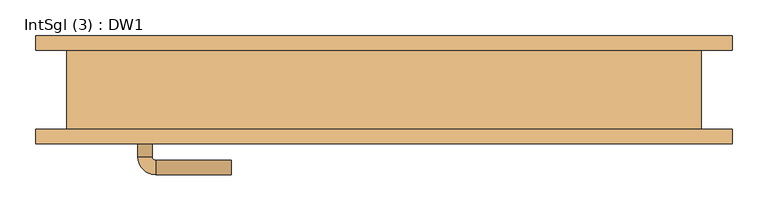
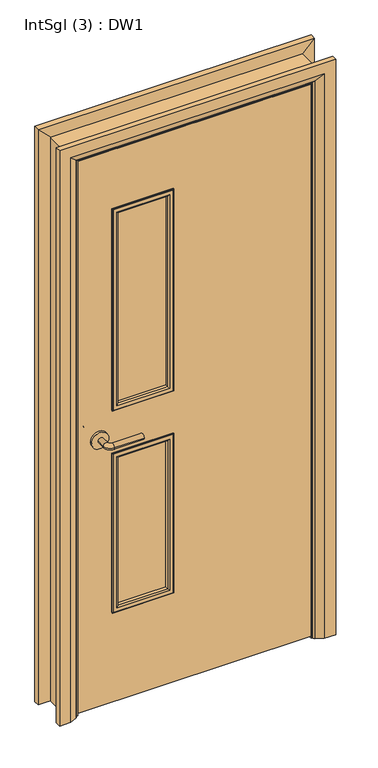
"""IFC4 building model written with IfcOpenShell, lengths in millimetres: door geometry, IntSgl (3) : DW1."""

from ifc_helpers import new_model, si_unit, point, frame, frame_2d, origin, place, context, project, spatial, polyline, circle_curve, ellipse_curve, trimmed, segment, composite_curve, outline, extrude, faceted_brep, source, transform, mapped, element, save
from ifc_brep_helpers import plane_surface, cylinder_surface, revolved_surface, advanced_brep


def intsgl_3_dw1_886d542a(model_context):
    return source(origin(), model_context, "Body", "SolidModel", [
        advanced_brep(
        [(-343.0, -9.0, 1000.0), (-323.0, -9.0, 1000.0), (-343.0, 21.0, 1000.0), (-323.0, 21.0, 1000.0), (-318.0, 26.0, 1000.0), (-318.0, 46.0, 1000.0), (-213.0, 46.0, 1000.0), (-213.0, 26.0, 1000.0)],
        [
            (0, 1, circle_curve(frame((-333.0, -9.0, 1000.0), z_axis=(0.0, -1.0, 0.0), x_axis=(1.0, 0.0, 0.0)), 10.0)),
            (1, 0, circle_curve(frame((-333.0, -9.0, 1000.0), z_axis=(0.0, -1.0, 0.0), x_axis=(1.0, 0.0, 0.0)), 10.0)),
            (0, 2),
            (2, 3, circle_curve(frame((-333.0, 21.0, 1000.0), z_axis=(0.0, -1.0, 0.0), x_axis=(1.0, 0.0, 0.0)), 10.0)),
            (3, 1),
            (3, 2, circle_curve(frame((-333.0, 21.0, 1000.0), z_axis=(0.0, -1.0, 0.0), x_axis=(1.0, 0.0, 0.0)), 10.0)),
            (4, 3, circle_curve(frame((-318.0, 21.0, 1000.0), z_axis=(0.0, 0.0, 1.0), x_axis=(-1.0, 0.0, 0.0)), 5.0)),
            (2, 5, circle_curve(frame((-318.0, 21.0, 1000.0), z_axis=(0.0, 0.0, -1.0), x_axis=(-1.0, 0.0, 0.0)), 25.0)),
            (5, 4, circle_curve(frame((-318.0, 36.0, 1000.0), z_axis=(-1.0, 0.0, 0.0), x_axis=(0.0, -1.0, 0.0)), 10.0)),
            (4, 5, circle_curve(frame((-318.0, 36.0, 1000.0), z_axis=(-1.0, 0.0, 0.0), x_axis=(0.0, -1.0, 0.0)), 10.0)),
            (6, 7, circle_curve(frame((-213.0, 36.0, 1000.0), z_axis=(1.0, 0.0, 0.0), x_axis=(0.0, -1.0, 0.0)), 10.0)),
            (7, 6, circle_curve(frame((-213.0, 36.0, 1000.0), z_axis=(1.0, 0.0, 0.0), x_axis=(0.0, -1.0, 0.0)), 10.0)),
            (5, 6),
            (7, 4),
        ],
        [
            plane_surface(frame((-333.0, -9.0, 1000.0), z_axis=(0.0, -1.0, 0.0), x_axis=(0.0, 0.0, 1.0))),
            cylinder_surface(frame((-333.0, -9.0, 1000.0), z_axis=(0.0, -1.0, 0.0), x_axis=(1.0, 0.0, 0.0)), 10.0),
            revolved_surface(trimmed(ellipse_curve(frame((-333.0, 21.0, 1000.0), z_axis=(0.0, -1.0, 0.0), x_axis=(1.0, 0.0, 0.0)), 10.0, 10.0), [point((-343.0, 21.0, 1000.0))], [point((-323.0, 21.0, 1000.0))], True, "CARTESIAN"), (-318.0, 21.0, 1000.0), (0.0, 0.0, -1.0)),
            revolved_surface(trimmed(ellipse_curve(frame((-333.0, 21.0, 1000.0), z_axis=(0.0, -1.0, 0.0), x_axis=(1.0, 0.0, 0.0)), 10.0, 10.0), [point((-323.0, 21.0, 1000.0))], [point((-343.0, 21.0, 1000.0))], True, "CARTESIAN"), (-318.0, 21.0, 1000.0), (0.0, 0.0, -1.0)),
            plane_surface(frame((-213.0, 36.0, 1000.0), z_axis=(1.0, 0.0, 0.0), x_axis=(0.0, 0.0, 1.0))),
            cylinder_surface(frame((-318.0, 36.0, 1000.0), z_axis=(-1.0, 0.0, 0.0), x_axis=(0.0, -1.0, 0.0)), 10.0),
        ],
        [
            (0, [[1, 2]]),
            (1, [[-1, 3, 4, 5]]),
            (1, [[-2, -5, 6, -3]]),
            (2, [[7, -4, 8, 9]]),
            (3, [[-8, -6, -7, 10]]),
            (4, [[11, 12]]),
            (5, [[-9, 13, -12, 14]]),
            (5, [[-10, -14, -11, -13]]),
        ],
    ),
        extrude(outline(composite_curve([segment(trimmed(circle_curve(frame_2d((1000.0, -335.5)), 30.0), [point((1000.0, -365.5))], [point((1000.0, -305.5))], False, "CARTESIAN"), True, "CONTINUOUS"), segment(trimmed(circle_curve(frame_2d((1000.0, -335.5)), 30.0), [point((1000.0, -305.5))], [point((1000.0, -365.5))], False, "CARTESIAN"), True, "CONTINUOUS")], self_intersect=False)), frame((0.0, -17.0, 0.0), z_axis=(0.0, 1.0, 0.0), x_axis=(0.0, 0.0, 1.0)), (0.0, 0.0, 1.0), 8.0),
        advanced_brep(
        [(-343.0, -63.0, 1000.0), (-323.0, -63.0, 1000.0), (-323.0, -93.0, 1000.0), (-343.0, -93.0, 1000.0), (-318.0, -98.0, 1000.0), (-318.0, -118.0, 1000.0), (-213.0, -118.0, 1000.0), (-213.0, -98.0, 1000.0)],
        [
            (0, 1, circle_curve(frame((-333.0, -63.0, 1000.0), z_axis=(0.0, 1.0, 0.0), x_axis=(1.0, 0.0, 0.0)), 10.0)),
            (1, 0, circle_curve(frame((-333.0, -63.0, 1000.0), z_axis=(0.0, 1.0, 0.0), x_axis=(1.0, 0.0, 0.0)), 10.0)),
            (1, 2),
            (2, 3, circle_curve(frame((-333.0, -93.0, 1000.0), z_axis=(0.0, 1.0, 0.0), x_axis=(1.0, 0.0, 0.0)), 10.0)),
            (3, 0),
            (3, 2, circle_curve(frame((-333.0, -93.0, 1000.0), z_axis=(0.0, 1.0, 0.0), x_axis=(1.0, 0.0, 0.0)), 10.0)),
            (4, 5, circle_curve(frame((-318.0, -108.0, 1000.0), z_axis=(-1.0, 0.0, 0.0), x_axis=(0.0, 1.0, 0.0)), 10.0)),
            (5, 3, circle_curve(frame((-318.0, -93.0, 1000.0), z_axis=(0.0, 0.0, -1.0), x_axis=(-1.0, 0.0, 0.0)), 25.0)),
            (2, 4, circle_curve(frame((-318.0, -93.0, 1000.0), z_axis=(0.0, 0.0, 1.0), x_axis=(-1.0, 0.0, 0.0)), 5.0)),
            (5, 4, circle_curve(frame((-318.0, -108.0, 1000.0), z_axis=(-1.0, 0.0, 0.0), x_axis=(0.0, 1.0, 0.0)), 10.0)),
            (6, 7, circle_curve(frame((-213.0, -108.0, 1000.0), z_axis=(1.0, 0.0, 0.0), x_axis=(0.0, 1.0, 0.0)), 10.0)),
            (7, 6, circle_curve(frame((-213.0, -108.0, 1000.0), z_axis=(1.0, 0.0, 0.0), x_axis=(0.0, 1.0, 0.0)), 10.0)),
            (4, 7),
            (6, 5),
        ],
        [
            plane_surface(frame((-333.0, -63.0, 1000.0), z_axis=(0.0, 1.0, 0.0), x_axis=(0.0, 0.0, 1.0))),
            cylinder_surface(frame((-333.0, -63.0, 1000.0), z_axis=(0.0, 1.0, 0.0), x_axis=(1.0, 0.0, 0.0)), 10.0),
            revolved_surface(trimmed(ellipse_curve(frame((-333.0, -93.0, 1000.0), z_axis=(0.0, -1.0, 0.0), x_axis=(1.0, 0.0, 0.0)), 10.0, 10.0), [point((-343.0, -93.0, 1000.0))], [point((-323.0, -93.0, 1000.0))], True, "CARTESIAN"), (-318.0, -93.0, 1000.0), (0.0, 0.0, -1.0)),
            revolved_surface(trimmed(ellipse_curve(frame((-333.0, -93.0, 1000.0), z_axis=(0.0, -1.0, 0.0), x_axis=(1.0, 0.0, 0.0)), 10.0, 10.0), [point((-323.0, -93.0, 1000.0))], [point((-343.0, -93.0, 1000.0))], True, "CARTESIAN"), (-318.0, -93.0, 1000.0), (0.0, 0.0, -1.0)),
            plane_surface(frame((-213.0, -108.0, 1000.0), z_axis=(1.0, 0.0, 0.0), x_axis=(0.0, 0.0, 1.0))),
            cylinder_surface(frame((-318.0, -108.0, 1000.0), z_axis=(-1.0, 0.0, 0.0), x_axis=(0.0, 1.0, 0.0)), 10.0),
        ],
        [
            (0, [[1, 2]]),
            (1, [[3, 4, 5, -2]]),
            (1, [[-5, 6, -3, -1]]),
            (2, [[7, 8, -4, 9]]),
            (3, [[10, -9, -6, -8]]),
            (4, [[11, 12]]),
            (5, [[13, -11, 14, -7]]),
            (5, [[-14, -12, -13, -10]]),
        ],
    ),
        extrude(outline(composite_curve([segment(trimmed(circle_curve(frame_2d((1000.0, -335.5)), 30.0), [point((1000.0, -365.5))], [point((1000.0, -305.5))], False, "CARTESIAN"), True, "CONTINUOUS"), segment(trimmed(circle_curve(frame_2d((1000.0, -335.5)), 30.0), [point((1000.0, -305.5))], [point((1000.0, -365.5))], False, "CARTESIAN"), True, "CONTINUOUS")], self_intersect=False)), frame((0.0, -63.0, 0.0), z_axis=(0.0, 1.0, 0.0), x_axis=(0.0, 0.0, 1.0)), (0.0, 0.0, 1.0), 8.0),
        extrude(outline(polyline([(2058.0, -408.0), (8.0, -408.0), (8.0, 408.0), (2058.0, 408.0), (2058.0, -408.0)]), holes=[polyline([(1833.0, -83.0), (1100.0, -83.0), (1100.0, -283.0), (1833.0, -283.0), (1833.0, -83.0)]), polyline([(925.0, -283.0), (925.0, -83.0), (350.0, -83.0), (350.0, -283.0), (925.0, -283.0)])]), frame((0.0, -55.0, 0.0), z_axis=(0.0, 1.0, 0.0), x_axis=(0.0, 0.0, 1.0)), (0.0, 0.0, 1.0), 38.0),
        advanced_brep(
        [(485.0, -75.0, 0.0), (445.0, -75.0, 0.0), (419.0, -61.0, 0.0), (415.0, -55.0, 0.0), (485.0, -55.0, 0.0), (485.0, -55.0, 2135.0), (485.0, -75.0, 2135.0), (415.0, -55.0, 2065.0), (-415.0, -55.0, 2065.0), (-415.0, -55.0, 0.0), (-485.0, -55.0, 0.0), (-485.0, -55.0, 2135.0), (419.0, -61.0, 2069.0), (445.0, -75.0, 2095.0), (-485.0, -75.0, 2135.0), (-485.0, -75.0, 0.0), (-445.0, -75.0, 0.0), (-445.0, -75.0, 2095.0), (-419.0, -61.0, 2069.0), (-419.0, -61.0, 0.0)],
        [
            (0, 1),
            (1, 2),
            (2, 3, circle_curve(frame((423.0, -54.0, 0.0), z_axis=(0.0, 0.0, -1.0), x_axis=(1.0, 0.0, 0.0)), 8.0622577)),
            (3, 4),
            (4, 0),
            (4, 5),
            (5, 6),
            (6, 0),
            (3, 7),
            (7, 8),
            (8, 9),
            (9, 10),
            (10, 11),
            (11, 5),
            (2, 12),
            (12, 7, ellipse_curve(frame((423.0, -54.0, 2073.0), z_axis=(0.7071067811865475, 0.0, -0.7071067811865475), x_axis=(-0.7071067811865474, 0.0, -0.7071067811865476)), 11.4017543, 8.0622577)),
            (1, 13),
            (13, 12),
            (6, 14),
            (14, 15),
            (15, 16),
            (16, 17),
            (17, 13),
            (11, 14),
            (12, 18),
            (18, 8, ellipse_curve(frame((-423.0, -54.0, 2073.0), z_axis=(0.7071067811865475, 0.0, 0.7071067811865475), x_axis=(0.7071067811865476, 0.0, -0.7071067811865474)), 11.4017543, 8.0622577)),
            (17, 18),
            (15, 10),
            (9, 19, circle_curve(frame((-423.0, -54.0, 0.0), z_axis=(0.0, 0.0, -1.0), x_axis=(-1.0, 0.0, 0.0)), 8.0622577)),
            (19, 16),
            (18, 19),
        ],
        [
            plane_surface(frame((415.0, -55.0, 0.0), z_axis=(0.0, 0.0, -1.0), x_axis=(0.0, 1.0, 0.0))),
            plane_surface(frame((485.0, -75.0, 0.0), z_axis=(1.0, 0.0, 0.0), x_axis=(0.0, 0.0, 1.0))),
            plane_surface(frame((485.0, -55.0, 0.0), z_axis=(0.0, 1.0, 0.0), x_axis=(0.0, 0.0, 1.0))),
            cylinder_surface(frame((423.0, -54.0, 0.0), z_axis=(0.0, 0.0, -1.0), x_axis=(1.0, 0.0, 0.0)), 8.0622577),
            plane_surface(frame((419.0, -61.0, 0.0), z_axis=(-0.4740998230350126, -0.8804710999221779, 0.0), x_axis=(0.0, 0.0, 1.0))),
            plane_surface(frame((445.0, -75.0, 0.0), z_axis=(0.0, -1.0, 0.0), x_axis=(0.0, 0.0, 1.0))),
            plane_surface(frame((485.0, -75.0, 2135.0), z_axis=(0.0, 0.0, 1.0), x_axis=(-1.0, 0.0, 0.0))),
            cylinder_surface(frame((415.0, -54.0, 2073.0), z_axis=(1.0, 0.0, 0.0), x_axis=(0.0, 0.0, 1.0)), 8.0622577),
            plane_surface(frame((419.0, -61.0, 2069.0), z_axis=(0.0, -0.8804710999221763, -0.4740998230350154), x_axis=(-1.0, 0.0, 0.0))),
            plane_surface(frame((-415.0, -55.0, 0.0), z_axis=(0.0, 0.0, -1.0), x_axis=(0.0, 1.0, 0.0))),
            plane_surface(frame((-485.0, -75.0, 2135.0), z_axis=(-1.0, 0.0, 0.0), x_axis=(0.0, 0.0, -1.0))),
            cylinder_surface(frame((-423.0, -54.0, 2065.0), z_axis=(0.0, 0.0, 1.0), x_axis=(-1.0, 0.0, 0.0)), 8.0622577),
            plane_surface(frame((-419.0, -61.0, 2069.0), z_axis=(0.4740998230350183, -0.8804710999221749, 0.0), x_axis=(0.0, 0.0, -1.0))),
        ],
        [
            (0, [[1, 2, 3, 4, 5]]),
            (1, [[6, 7, 8, -5]]),
            (2, [[9, 10, 11, 12, 13, 14, -6, -4]]),
            (3, [[15, 16, -9, -3]]),
            (4, [[17, 18, -15, -2]]),
            (5, [[-8, 19, 20, 21, 22, 23, -17, -1]]),
            (6, [[-14, 24, -19, -7]]),
            (7, [[25, 26, -10, -16]]),
            (8, [[-23, 27, -25, -18]]),
            (9, [[28, -12, 29, 30, -21]]),
            (10, [[-13, -28, -20, -24]]),
            (11, [[31, -29, -11, -26]]),
            (12, [[-22, -30, -31, -27]]),
        ],
    ),
        extrude(outline(polyline([(0.0, -391.0), (2041.0, -391.0), (2041.0, 391.0), (0.0, 391.0), (0.0, 410.0), (2060.0, 410.0), (2060.0, -410.0), (0.0, -410.0), (0.0, -391.0)])), frame((0.0, -15.0, 0.0), z_axis=(0.0, 1.0, 0.0), x_axis=(0.0, 0.0, 1.0)), (0.0, 0.0, 1.0), 32.0),
        advanced_brep(
        [(-485.0, 75.0, 0.0), (-445.0, 75.0, 0.0), (-419.0, 61.0, 0.0), (-415.0, 55.0, 0.0), (-485.0, 55.0, 0.0), (-485.0, 55.0, 2135.0), (-485.0, 75.0, 2135.0), (-415.0, 55.0, 2065.0), (-419.0, 61.0, 2069.0), (-445.0, 75.0, 2095.0), (485.0, 55.0, 2135.0), (485.0, 75.0, 2135.0), (415.0, 55.0, 2065.0), (419.0, 61.0, 2069.0), (445.0, 75.0, 2095.0), (485.0, 75.0, 0.0), (485.0, 55.0, 0.0), (415.0, 55.0, 0.0), (419.0, 61.0, 0.0), (445.0, 75.0, 0.0)],
        [
            (0, 1),
            (1, 2),
            (2, 3, circle_curve(frame((-423.0, 54.0, 0.0), z_axis=(0.0, 0.0, -1.0), x_axis=(-1.0, 0.0, 0.0)), 8.0622577)),
            (3, 4),
            (4, 0),
            (4, 5),
            (5, 6),
            (6, 0),
            (3, 7),
            (7, 5),
            (2, 8),
            (8, 7, ellipse_curve(frame((-423.0, 54.0, 2073.0), z_axis=(-0.7071067811865475, 0.0, -0.7071067811865475), x_axis=(0.7071067811865474, 0.0, -0.7071067811865476)), 11.4017543, 8.0622577)),
            (1, 9),
            (9, 8),
            (6, 9),
            (5, 10),
            (10, 11),
            (11, 6),
            (7, 12),
            (12, 10),
            (8, 13),
            (13, 12, ellipse_curve(frame((423.0, 54.0, 2073.0), z_axis=(-0.7071067811865475, 0.0, 0.7071067811865475), x_axis=(-0.7071067811865476, 0.0, -0.7071067811865474)), 11.4017543, 8.0622577)),
            (9, 14),
            (14, 13),
            (11, 14),
            (15, 16),
            (16, 17),
            (17, 18, circle_curve(frame((423.0, 54.0, 0.0), z_axis=(0.0, 0.0, -1.0), x_axis=(1.0, 0.0, 0.0)), 8.0622577)),
            (18, 19),
            (19, 15),
            (10, 16),
            (15, 11),
            (12, 17),
            (13, 18),
            (14, 19),
        ],
        [
            plane_surface(frame((-415.0, 127.8010989, 0.0), z_axis=(0.0, 0.0, -1.0), x_axis=(1.0, 0.0, 0.0))),
            plane_surface(frame((-485.0, 75.0, 0.0), z_axis=(-1.0, 0.0, 0.0), x_axis=(0.0, 0.0, 1.0))),
            plane_surface(frame((-485.0, 55.0, 0.0), z_axis=(0.0, -1.0, 0.0), x_axis=(0.0, 0.0, 1.0))),
            cylinder_surface(frame((-423.0, 54.0, 0.0), z_axis=(0.0, 0.0, -1.0), x_axis=(-1.0, 0.0, 0.0)), 8.0622577),
            plane_surface(frame((-419.0, 61.0, 0.0), z_axis=(0.4740998230350183, 0.8804710999221749, 0.0), x_axis=(0.0, 0.0, 1.0))),
            plane_surface(frame((-445.0, 75.0, 0.0), z_axis=(0.0, 1.0, 0.0), x_axis=(0.0, 0.0, 1.0))),
            plane_surface(frame((-485.0, 75.0, 2135.0), z_axis=(0.0, 0.0, 1.0), x_axis=(1.0, 0.0, 0.0))),
            plane_surface(frame((-485.0, 55.0, 2135.0), z_axis=(0.0, -1.0, 0.0), x_axis=(1.0, 0.0, 0.0))),
            cylinder_surface(frame((-415.0, 54.0, 2073.0), z_axis=(-1.0, 0.0, 0.0), x_axis=(0.0, 0.0, 1.0)), 8.0622577),
            plane_surface(frame((-419.0, 61.0, 2069.0), z_axis=(0.0, 0.8804710999221749, -0.4740998230350183), x_axis=(1.0, 0.0, 0.0))),
            plane_surface(frame((-445.0, 75.0, 2095.0), z_axis=(0.0, 1.0, 0.0), x_axis=(1.0, 0.0, 0.0))),
            plane_surface(frame((415.0, 127.8010989, 0.0), z_axis=(0.0, 0.0, -1.0), x_axis=(-1.0, 0.0, 0.0))),
            plane_surface(frame((485.0, 75.0, 2135.0), z_axis=(1.0, 0.0, 0.0), x_axis=(0.0, 0.0, -1.0))),
            plane_surface(frame((485.0, 55.0, 2135.0), z_axis=(0.0, -1.0, 0.0), x_axis=(0.0, 0.0, -1.0))),
            cylinder_surface(frame((423.0, 54.0, 2065.0), z_axis=(0.0, 0.0, 1.0), x_axis=(1.0, 0.0, 0.0)), 8.0622577),
            plane_surface(frame((419.0, 61.0, 2069.0), z_axis=(-0.4740998230350183, 0.8804710999221749, 0.0), x_axis=(0.0, 0.0, -1.0))),
            plane_surface(frame((445.0, 75.0, 2095.0), z_axis=(0.0, 1.0, 0.0), x_axis=(0.0, 0.0, -1.0))),
        ],
        [
            (0, [[1, 2, 3, 4, 5]]),
            (1, [[6, 7, 8, -5]]),
            (2, [[9, 10, -6, -4]]),
            (3, [[11, 12, -9, -3]]),
            (4, [[13, 14, -11, -2]]),
            (5, [[-8, 15, -13, -1]]),
            (6, [[16, 17, 18, -7]]),
            (7, [[19, 20, -16, -10]]),
            (8, [[21, 22, -19, -12]]),
            (9, [[23, 24, -21, -14]]),
            (10, [[-18, 25, -23, -15]]),
            (11, [[26, 27, 28, 29, 30]]),
            (12, [[31, -26, 32, -17]]),
            (13, [[33, -27, -31, -20]]),
            (14, [[34, -28, -33, -22]]),
            (15, [[35, -29, -34, -24]]),
            (16, [[-32, -30, -35, -25]]),
        ],
    ),
        faceted_brep([(-410.0, -55.0, 0.0), (-442.0, -55.0, 0.0), (-442.0, 55.0, 0.0), (-410.0, 55.0, 0.0), (-410.0, 55.0, 2060.0), (-410.0, -55.0, 2060.0), (-442.0, 55.0, 2092.0), (-442.0, -55.0, 2092.0), (410.0, 55.0, 2060.0), (410.0, -55.0, 2060.0), (442.0, 55.0, 2092.0), (442.0, -55.0, 2092.0), (410.0, -55.0, 0.0), (410.0, 55.0, 0.0), (442.0, 55.0, 0.0), (442.0, -55.0, 0.0)], [[[0, 1, 2, 3]], [[3, 4, 5, 0]], [[2, 6, 4, 3]], [[1, 7, 6, 2]], [[0, 5, 7, 1]], [[4, 8, 9, 5]], [[6, 10, 8, 4]], [[7, 11, 10, 6]], [[5, 9, 11, 7]], [[12, 13, 14, 15]], [[8, 13, 12, 9]], [[10, 14, 13, 8]], [[11, 15, 14, 10]], [[9, 12, 15, 11]]]),
        advanced_brep(
        [(-83.0, -27.0, 925.0), (-83.0, -27.0, 350.0), (-83.0, -17.0, 350.0), (-83.0, -17.0, 925.0), (-95.0, -16.0, 913.0), (-95.0, -16.0, 362.0), (-95.0, -27.0, 362.0), (-95.0, -27.0, 913.0), (-90.0, -11.0, 918.0), (-90.0, -11.0, 357.0), (-75.0, -13.0, 933.0), (-75.0, -13.0, 342.0), (-77.0, -11.0, 344.0), (-77.0, -11.0, 931.0), (-75.0, -17.0, 933.0), (-75.0, -17.0, 342.0), (-283.0, -27.0, 350.0), (-283.0, -17.0, 350.0), (-271.0, -16.0, 362.0), (-271.0, -27.0, 362.0), (-276.0, -11.0, 357.0), (-291.0, -13.0, 342.0), (-289.0, -11.0, 344.0), (-291.0, -17.0, 342.0), (-283.0, -27.0, 925.0), (-283.0, -17.0, 925.0), (-271.0, -16.0, 913.0), (-271.0, -27.0, 913.0), (-276.0, -11.0, 918.0), (-291.0, -13.0, 933.0), (-289.0, -11.0, 931.0), (-291.0, -17.0, 933.0)],
        [
            (0, 1),
            (1, 2),
            (2, 3),
            (3, 0),
            (4, 5),
            (5, 6),
            (6, 7),
            (7, 4),
            (8, 9),
            (9, 5, ellipse_curve(frame((-90.0, -16.0, 357.0), z_axis=(0.7071067811865475, 0.0, 0.7071067811865475), x_axis=(-0.7071067811865474, 0.0, 0.7071067811865476)), 7.0710678, 5.0)),
            (4, 8, ellipse_curve(frame((-90.0, -16.0, 918.0), z_axis=(0.7071067811865475, 0.0, -0.7071067811865475), x_axis=(0.7071067811865474, 0.0, 0.7071067811865476)), 7.0710678, 5.0)),
            (10, 11),
            (11, 12, ellipse_curve(frame((-77.0, -13.0, 344.0), z_axis=(0.7071067811865475, 0.0, 0.7071067811865475), x_axis=(-0.7071067811865474, 0.0, 0.7071067811865476)), 2.8284271, 2.0)),
            (12, 13),
            (13, 10, ellipse_curve(frame((-77.0, -13.0, 931.0), z_axis=(0.7071067811865475, 0.0, -0.7071067811865475), x_axis=(0.7071067811865474, 0.0, 0.7071067811865476)), 2.8284271, 2.0)),
            (14, 15),
            (15, 11),
            (10, 14),
            (1, 16),
            (16, 17),
            (17, 2),
            (5, 18),
            (18, 19),
            (19, 6),
            (9, 20),
            (20, 18, ellipse_curve(frame((-276.0, -16.0, 357.0), z_axis=(0.7071067811865475, 0.0, -0.7071067811865475), x_axis=(0.7071067811865476, 0.0, 0.7071067811865474)), 7.0710678, 5.0)),
            (11, 21),
            (21, 22, ellipse_curve(frame((-289.0, -13.0, 344.0), z_axis=(0.7071067811865475, 0.0, -0.7071067811865475), x_axis=(0.7071067811865476, 0.0, 0.7071067811865474)), 2.8284271, 2.0)),
            (22, 12),
            (15, 23),
            (23, 21),
            (16, 24),
            (24, 25),
            (25, 17),
            (18, 26),
            (26, 27),
            (27, 19),
            (20, 28),
            (28, 26, ellipse_curve(frame((-276.0, -16.0, 918.0), z_axis=(-0.7071067811865475, 0.0, -0.7071067811865475), x_axis=(0.7071067811865474, 0.0, -0.7071067811865476)), 7.0710678, 5.0)),
            (21, 29),
            (29, 30, ellipse_curve(frame((-289.0, -13.0, 931.0), z_axis=(-0.7071067811865475, 0.0, -0.7071067811865475), x_axis=(0.7071067811865474, 0.0, -0.7071067811865476)), 2.8284271, 2.0)),
            (30, 22),
            (23, 31),
            (31, 29),
            (14, 31),
            (25, 3),
            (24, 0),
            (27, 7),
            (26, 4),
            (28, 8),
            (30, 13),
            (29, 10),
        ],
        [
            plane_surface(frame((-83.0, -17.0, 925.0), z_axis=(1.0, 0.0, 0.0), x_axis=(0.0, 0.0, -1.0))),
            plane_surface(frame((-95.0, -27.0, 913.0), z_axis=(-1.0, 0.0, 0.0), x_axis=(0.0, 0.0, -1.0))),
            cylinder_surface(frame((-90.0, -16.0, 925.0), z_axis=(0.0, 0.0, 1.0), x_axis=(1.0, 0.0, 0.0)), 5.0),
            cylinder_surface(frame((-77.0, -13.0, 925.0), z_axis=(0.0, 0.0, 1.0), x_axis=(1.0, 0.0, 0.0)), 2.0),
            plane_surface(frame((-75.0, -13.0, 933.0), z_axis=(1.0, 0.0, 0.0), x_axis=(0.0, 0.0, -1.0))),
            plane_surface(frame((-83.0, -17.0, 350.0), z_axis=(0.0, 0.0, -1.0), x_axis=(-1.0, 0.0, 0.0))),
            plane_surface(frame((-95.0, -27.0, 362.0), z_axis=(0.0, 0.0, 1.0), x_axis=(-1.0, 0.0, 0.0))),
            cylinder_surface(frame((-83.0, -16.0, 357.0), z_axis=(1.0, 0.0, 0.0), x_axis=(0.0, 0.0, -1.0)), 5.0),
            cylinder_surface(frame((-83.0, -13.0, 344.0), z_axis=(1.0, 0.0, 0.0), x_axis=(0.0, 0.0, -1.0)), 2.0),
            plane_surface(frame((-75.0, -13.0, 342.0), z_axis=(0.0, 0.0, -1.0), x_axis=(-1.0, 0.0, 0.0))),
            plane_surface(frame((-283.0, -17.0, 350.0), z_axis=(-1.0, 0.0, 0.0), x_axis=(0.0, 0.0, 1.0))),
            plane_surface(frame((-271.0, -27.0, 362.0), z_axis=(1.0, 0.0, 0.0), x_axis=(0.0, 0.0, 1.0))),
            cylinder_surface(frame((-276.0, -16.0, 350.0), z_axis=(0.0, 0.0, -1.0), x_axis=(-1.0, 0.0, 0.0)), 5.0),
            cylinder_surface(frame((-289.0, -13.0, 350.0), z_axis=(0.0, 0.0, -1.0), x_axis=(-1.0, 0.0, 0.0)), 2.0),
            plane_surface(frame((-291.0, -13.0, 342.0), z_axis=(-1.0, 0.0, 0.0), x_axis=(0.0, 0.0, 1.0))),
            plane_surface(frame((-291.0, -17.0, 933.0), z_axis=(0.0, -1.0, 0.0), x_axis=(1.0, 0.0, 0.0))),
            plane_surface(frame((-283.0, -17.0, 925.0), z_axis=(0.0, 0.0, 1.0), x_axis=(1.0, 0.0, 0.0))),
            plane_surface(frame((-283.0, -27.0, 925.0), z_axis=(0.0, -1.0, 0.0), x_axis=(1.0, 0.0, 0.0))),
            plane_surface(frame((-271.0, -27.0, 913.0), z_axis=(0.0, 0.0, -1.0), x_axis=(1.0, 0.0, 0.0))),
            cylinder_surface(frame((-283.0, -16.0, 918.0), z_axis=(-1.0, 0.0, 0.0), x_axis=(0.0, 0.0, 1.0)), 5.0),
            plane_surface(frame((-276.0, -11.0, 918.0), z_axis=(0.0, 1.0, 0.0), x_axis=(1.0, 0.0, 0.0))),
            cylinder_surface(frame((-283.0, -13.0, 931.0), z_axis=(-1.0, 0.0, 0.0), x_axis=(0.0, 0.0, 1.0)), 2.0),
            plane_surface(frame((-291.0, -13.0, 933.0), z_axis=(0.0, 0.0, 1.0), x_axis=(1.0, 0.0, 0.0))),
        ],
        [
            (0, [[1, 2, 3, 4]]),
            (1, [[5, 6, 7, 8]]),
            (2, [[9, 10, -5, 11]]),
            (3, [[12, 13, 14, 15]]),
            (4, [[16, 17, -12, 18]]),
            (5, [[19, 20, 21, -2]]),
            (6, [[22, 23, 24, -6]]),
            (7, [[25, 26, -22, -10]]),
            (8, [[27, 28, 29, -13]]),
            (9, [[30, 31, -27, -17]]),
            (10, [[32, 33, 34, -20]]),
            (11, [[35, 36, 37, -23]]),
            (12, [[38, 39, -35, -26]]),
            (13, [[40, 41, 42, -28]]),
            (14, [[43, 44, -40, -31]]),
            (15, [[-16, 45, -43, -30], [-3, -21, -34, 46]]),
            (16, [[47, -4, -46, -33]]),
            (17, [[-1, -47, -32, -19], [-7, -24, -37, 48]]),
            (18, [[49, -8, -48, -36]]),
            (19, [[50, -11, -49, -39]]),
            (20, [[-14, -29, -42, 51], [-9, -50, -38, -25]]),
            (21, [[52, -15, -51, -41]]),
            (22, [[-45, -18, -52, -44]]),
        ],
    ),
        advanced_brep(
        [(-283.0, -45.0, 925.0), (-283.0, -45.0, 350.0), (-283.0, -55.0, 350.0), (-283.0, -55.0, 925.0), (-271.0, -56.0, 913.0), (-271.0, -56.0, 362.0), (-271.0, -45.0, 362.0), (-271.0, -45.0, 913.0), (-276.0, -61.0, 918.0), (-276.0, -61.0, 357.0), (-291.0, -59.0, 933.0), (-291.0, -59.0, 342.0), (-289.0, -61.0, 344.0), (-289.0, -61.0, 931.0), (-291.0, -55.0, 933.0), (-291.0, -55.0, 342.0), (-83.0, -45.0, 350.0), (-83.0, -55.0, 350.0), (-95.0, -56.0, 362.0), (-95.0, -45.0, 362.0), (-90.0, -61.0, 357.0), (-75.0, -59.0, 342.0), (-77.0, -61.0, 344.0), (-75.0, -55.0, 342.0), (-83.0, -45.0, 925.0), (-83.0, -55.0, 925.0), (-95.0, -56.0, 913.0), (-95.0, -45.0, 913.0), (-90.0, -61.0, 918.0), (-75.0, -59.0, 933.0), (-77.0, -61.0, 931.0), (-75.0, -55.0, 933.0)],
        [
            (0, 1),
            (1, 2),
            (2, 3),
            (3, 0),
            (4, 5),
            (5, 6),
            (6, 7),
            (7, 4),
            (8, 9),
            (9, 5, ellipse_curve(frame((-276.0, -56.0, 357.0), z_axis=(-0.7071067811865475, 0.0, 0.7071067811865475), x_axis=(0.7071067811865474, 0.0, 0.7071067811865476)), 7.0710678, 5.0)),
            (4, 8, ellipse_curve(frame((-276.0, -56.0, 918.0), z_axis=(-0.7071067811865475, 0.0, -0.7071067811865475), x_axis=(-0.7071067811865474, 0.0, 0.7071067811865476)), 7.0710678, 5.0)),
            (10, 11),
            (11, 12, ellipse_curve(frame((-289.0, -59.0, 344.0), z_axis=(-0.7071067811865475, 0.0, 0.7071067811865475), x_axis=(0.7071067811865474, 0.0, 0.7071067811865476)), 2.8284271, 2.0)),
            (12, 13),
            (13, 10, ellipse_curve(frame((-289.0, -59.0, 931.0), z_axis=(-0.7071067811865475, 0.0, -0.7071067811865475), x_axis=(-0.7071067811865474, 0.0, 0.7071067811865476)), 2.8284271, 2.0)),
            (14, 15),
            (15, 11),
            (10, 14),
            (1, 16),
            (16, 17),
            (17, 2),
            (5, 18),
            (18, 19),
            (19, 6),
            (9, 20),
            (20, 18, ellipse_curve(frame((-90.0, -56.0, 357.0), z_axis=(-0.7071067811865475, 0.0, -0.7071067811865475), x_axis=(-0.7071067811865476, 0.0, 0.7071067811865474)), 7.0710678, 5.0)),
            (11, 21),
            (21, 22, ellipse_curve(frame((-77.0, -59.0, 344.0), z_axis=(-0.7071067811865475, 0.0, -0.7071067811865475), x_axis=(-0.7071067811865476, 0.0, 0.7071067811865474)), 2.8284271, 2.0)),
            (22, 12),
            (15, 23),
            (23, 21),
            (16, 24),
            (24, 25),
            (25, 17),
            (18, 26),
            (26, 27),
            (27, 19),
            (20, 28),
            (28, 26, ellipse_curve(frame((-90.0, -56.0, 918.0), z_axis=(0.7071067811865475, 0.0, -0.7071067811865475), x_axis=(-0.7071067811865474, 0.0, -0.7071067811865476)), 7.0710678, 5.0)),
            (21, 29),
            (29, 30, ellipse_curve(frame((-77.0, -59.0, 931.0), z_axis=(0.7071067811865475, 0.0, -0.7071067811865475), x_axis=(-0.7071067811865474, 0.0, -0.7071067811865476)), 2.8284271, 2.0)),
            (30, 22),
            (23, 31),
            (31, 29),
            (14, 31),
            (25, 3),
            (24, 0),
            (27, 7),
            (26, 4),
            (28, 8),
            (30, 13),
            (29, 10),
        ],
        [
            plane_surface(frame((-283.0, -55.0, 925.0), z_axis=(-1.0, 0.0, 0.0), x_axis=(0.0, 0.0, -1.0))),
            plane_surface(frame((-271.0, -45.0, 913.0), z_axis=(1.0, 0.0, 0.0), x_axis=(0.0, 0.0, -1.0))),
            cylinder_surface(frame((-276.0, -56.0, 925.0), z_axis=(0.0, 0.0, 1.0), x_axis=(-1.0, 0.0, 0.0)), 5.0),
            cylinder_surface(frame((-289.0, -59.0, 925.0), z_axis=(0.0, 0.0, 1.0), x_axis=(-1.0, 0.0, 0.0)), 2.0),
            plane_surface(frame((-291.0, -59.0, 933.0), z_axis=(-1.0, 0.0, 0.0), x_axis=(0.0, 0.0, -1.0))),
            plane_surface(frame((-283.0, -55.0, 350.0), z_axis=(0.0, 0.0, -1.0), x_axis=(1.0, 0.0, 0.0))),
            plane_surface(frame((-271.0, -45.0, 362.0), z_axis=(0.0, 0.0, 1.0), x_axis=(1.0, 0.0, 0.0))),
            cylinder_surface(frame((-283.0, -56.0, 357.0), z_axis=(-1.0, 0.0, 0.0), x_axis=(0.0, 0.0, -1.0)), 5.0),
            cylinder_surface(frame((-283.0, -59.0, 344.0), z_axis=(-1.0, 0.0, 0.0), x_axis=(0.0, 0.0, -1.0)), 2.0),
            plane_surface(frame((-291.0, -59.0, 342.0), z_axis=(0.0, 0.0, -1.0), x_axis=(1.0, 0.0, 0.0))),
            plane_surface(frame((-83.0, -55.0, 350.0), z_axis=(1.0, 0.0, 0.0), x_axis=(0.0, 0.0, 1.0))),
            plane_surface(frame((-95.0, -45.0, 362.0), z_axis=(-1.0, 0.0, 0.0), x_axis=(0.0, 0.0, 1.0))),
            cylinder_surface(frame((-90.0, -56.0, 350.0), z_axis=(0.0, 0.0, -1.0), x_axis=(1.0, 0.0, 0.0)), 5.0),
            cylinder_surface(frame((-77.0, -59.0, 350.0), z_axis=(0.0, 0.0, -1.0), x_axis=(1.0, 0.0, 0.0)), 2.0),
            plane_surface(frame((-75.0, -59.0, 342.0), z_axis=(1.0, 0.0, 0.0), x_axis=(0.0, 0.0, 1.0))),
            plane_surface(frame((-75.0, -55.0, 933.0), z_axis=(0.0, 1.0, 0.0), x_axis=(-1.0, 0.0, 0.0))),
            plane_surface(frame((-83.0, -55.0, 925.0), z_axis=(0.0, 0.0, 1.0), x_axis=(-1.0, 0.0, 0.0))),
            plane_surface(frame((-83.0, -45.0, 925.0), z_axis=(0.0, 1.0, 0.0), x_axis=(-1.0, 0.0, 0.0))),
            plane_surface(frame((-95.0, -45.0, 913.0), z_axis=(0.0, 0.0, -1.0), x_axis=(-1.0, 0.0, 0.0))),
            cylinder_surface(frame((-83.0, -56.0, 918.0), z_axis=(1.0, 0.0, 0.0), x_axis=(0.0, 0.0, 1.0)), 5.0),
            plane_surface(frame((-90.0, -61.0, 918.0), z_axis=(0.0, -1.0, 0.0), x_axis=(-1.0, 0.0, 0.0))),
            cylinder_surface(frame((-83.0, -59.0, 931.0), z_axis=(1.0, 0.0, 0.0), x_axis=(0.0, 0.0, 1.0)), 2.0),
            plane_surface(frame((-75.0, -59.0, 933.0), z_axis=(0.0, 0.0, 1.0), x_axis=(-1.0, 0.0, 0.0))),
        ],
        [
            (0, [[1, 2, 3, 4]]),
            (1, [[5, 6, 7, 8]]),
            (2, [[9, 10, -5, 11]]),
            (3, [[12, 13, 14, 15]]),
            (4, [[16, 17, -12, 18]]),
            (5, [[19, 20, 21, -2]]),
            (6, [[22, 23, 24, -6]]),
            (7, [[25, 26, -22, -10]]),
            (8, [[27, 28, 29, -13]]),
            (9, [[30, 31, -27, -17]]),
            (10, [[32, 33, 34, -20]]),
            (11, [[35, 36, 37, -23]]),
            (12, [[38, 39, -35, -26]]),
            (13, [[40, 41, 42, -28]]),
            (14, [[43, 44, -40, -31]]),
            (15, [[-16, 45, -43, -30], [-3, -21, -34, 46]]),
            (16, [[47, -4, -46, -33]]),
            (17, [[-1, -47, -32, -19], [-7, -24, -37, 48]]),
            (18, [[49, -8, -48, -36]]),
            (19, [[50, -11, -49, -39]]),
            (20, [[-14, -29, -42, 51], [-9, -50, -38, -25]]),
            (21, [[52, -15, -51, -41]]),
            (22, [[-45, -18, -52, -44]]),
        ],
    ),
        extrude(outline(polyline([(-283.0, -45.0), (-283.0, -27.0), (-83.0, -27.0), (-83.0, -45.0), (-283.0, -45.0)])), frame((0.0, 0.0, 1100.0), z_axis=(0.0, 0.0, 1.0), x_axis=(1.0, 0.0, 0.0)), (0.0, 0.0, 1.0), 733.0),
        extrude(outline(polyline([(-283.0, -45.0), (-283.0, -27.0), (-83.0, -27.0), (-83.0, -45.0), (-283.0, -45.0)])), frame((0.0, 0.0, 350.0), z_axis=(0.0, 0.0, 1.0), x_axis=(1.0, 0.0, 0.0)), (0.0, 0.0, 1.0), 575.0),
        advanced_brep(
        [(-83.0, -27.0, 1833.0), (-83.0, -27.0, 1100.0), (-83.0, -17.0, 1100.0), (-83.0, -17.0, 1833.0), (-95.0, -16.0, 1821.0), (-95.0, -16.0, 1112.0), (-95.0, -27.0, 1112.0), (-95.0, -27.0, 1821.0), (-90.0, -11.0, 1826.0), (-90.0, -11.0, 1107.0), (-75.0, -13.0, 1841.0), (-75.0, -13.0, 1092.0), (-77.0, -11.0, 1094.0), (-77.0, -11.0, 1839.0), (-75.0, -17.0, 1841.0), (-75.0, -17.0, 1092.0), (-283.0, -27.0, 1100.0), (-283.0, -17.0, 1100.0), (-271.0, -16.0, 1112.0), (-271.0, -27.0, 1112.0), (-276.0, -11.0, 1107.0), (-291.0, -13.0, 1092.0), (-289.0, -11.0, 1094.0), (-291.0, -17.0, 1092.0), (-283.0, -27.0, 1833.0), (-283.0, -17.0, 1833.0), (-271.0, -16.0, 1821.0), (-271.0, -27.0, 1821.0), (-276.0, -11.0, 1826.0), (-291.0, -13.0, 1841.0), (-289.0, -11.0, 1839.0), (-291.0, -17.0, 1841.0)],
        [
            (0, 1),
            (1, 2),
            (2, 3),
            (3, 0),
            (4, 5),
            (5, 6),
            (6, 7),
            (7, 4),
            (8, 9),
            (9, 5, ellipse_curve(frame((-90.0, -16.0, 1107.0), z_axis=(0.7071067811865475, 0.0, 0.7071067811865475), x_axis=(-0.7071067811865474, 0.0, 0.7071067811865476)), 7.0710678, 5.0)),
            (4, 8, ellipse_curve(frame((-90.0, -16.0, 1826.0), z_axis=(0.7071067811865475, 0.0, -0.7071067811865475), x_axis=(0.7071067811865474, 0.0, 0.7071067811865476)), 7.0710678, 5.0)),
            (10, 11),
            (11, 12, ellipse_curve(frame((-77.0, -13.0, 1094.0), z_axis=(0.7071067811865475, 0.0, 0.7071067811865475), x_axis=(-0.7071067811865474, 0.0, 0.7071067811865476)), 2.8284271, 2.0)),
            (12, 13),
            (13, 10, ellipse_curve(frame((-77.0, -13.0, 1839.0), z_axis=(0.7071067811865475, 0.0, -0.7071067811865475), x_axis=(0.7071067811865474, 0.0, 0.7071067811865476)), 2.8284271, 2.0)),
            (14, 15),
            (15, 11),
            (10, 14),
            (1, 16),
            (16, 17),
            (17, 2),
            (5, 18),
            (18, 19),
            (19, 6),
            (9, 20),
            (20, 18, ellipse_curve(frame((-276.0, -16.0, 1107.0), z_axis=(0.7071067811865475, 0.0, -0.7071067811865475), x_axis=(0.7071067811865476, 0.0, 0.7071067811865474)), 7.0710678, 5.0)),
            (11, 21),
            (21, 22, ellipse_curve(frame((-289.0, -13.0, 1094.0), z_axis=(0.7071067811865475, 0.0, -0.7071067811865475), x_axis=(0.7071067811865476, 0.0, 0.7071067811865474)), 2.8284271, 2.0)),
            (22, 12),
            (15, 23),
            (23, 21),
            (16, 24),
            (24, 25),
            (25, 17),
            (18, 26),
            (26, 27),
            (27, 19),
            (20, 28),
            (28, 26, ellipse_curve(frame((-276.0, -16.0, 1826.0), z_axis=(-0.7071067811865475, 0.0, -0.7071067811865475), x_axis=(0.7071067811865474, 0.0, -0.7071067811865476)), 7.0710678, 5.0)),
            (21, 29),
            (29, 30, ellipse_curve(frame((-289.0, -13.0, 1839.0), z_axis=(-0.7071067811865475, 0.0, -0.7071067811865475), x_axis=(0.7071067811865474, 0.0, -0.7071067811865476)), 2.8284271, 2.0)),
            (30, 22),
            (23, 31),
            (31, 29),
            (14, 31),
            (25, 3),
            (24, 0),
            (27, 7),
            (26, 4),
            (28, 8),
            (30, 13),
            (29, 10),
        ],
        [
            plane_surface(frame((-83.0, -17.0, 1833.0), z_axis=(1.0, 0.0, 0.0), x_axis=(0.0, 0.0, -1.0))),
            plane_surface(frame((-95.0, -27.0, 1821.0), z_axis=(-1.0, 0.0, 0.0), x_axis=(0.0, 0.0, -1.0))),
            cylinder_surface(frame((-90.0, -16.0, 1833.0), z_axis=(0.0, 0.0, 1.0), x_axis=(1.0, 0.0, 0.0)), 5.0),
            cylinder_surface(frame((-77.0, -13.0, 1833.0), z_axis=(0.0, 0.0, 1.0), x_axis=(1.0, 0.0, 0.0)), 2.0),
            plane_surface(frame((-75.0, -13.0, 1841.0), z_axis=(1.0, 0.0, 0.0), x_axis=(0.0, 0.0, -1.0))),
            plane_surface(frame((-83.0, -17.0, 1100.0), z_axis=(0.0, 0.0, -1.0), x_axis=(-1.0, 0.0, 0.0))),
            plane_surface(frame((-95.0, -27.0, 1112.0), z_axis=(0.0, 0.0, 1.0), x_axis=(-1.0, 0.0, 0.0))),
            cylinder_surface(frame((-83.0, -16.0, 1107.0), z_axis=(1.0, 0.0, 0.0), x_axis=(0.0, 0.0, -1.0)), 5.0),
            cylinder_surface(frame((-83.0, -13.0, 1094.0), z_axis=(1.0, 0.0, 0.0), x_axis=(0.0, 0.0, -1.0)), 2.0),
            plane_surface(frame((-75.0, -13.0, 1092.0), z_axis=(0.0, 0.0, -1.0), x_axis=(-1.0, 0.0, 0.0))),
            plane_surface(frame((-283.0, -17.0, 1100.0), z_axis=(-1.0, 0.0, 0.0), x_axis=(0.0, 0.0, 1.0))),
            plane_surface(frame((-271.0, -27.0, 1112.0), z_axis=(1.0, 0.0, 0.0), x_axis=(0.0, 0.0, 1.0))),
            cylinder_surface(frame((-276.0, -16.0, 1100.0), z_axis=(0.0, 0.0, -1.0), x_axis=(-1.0, 0.0, 0.0)), 5.0),
            cylinder_surface(frame((-289.0, -13.0, 1100.0), z_axis=(0.0, 0.0, -1.0), x_axis=(-1.0, 0.0, 0.0)), 2.0),
            plane_surface(frame((-291.0, -13.0, 1092.0), z_axis=(-1.0, 0.0, 0.0), x_axis=(0.0, 0.0, 1.0))),
            plane_surface(frame((-291.0, -17.0, 1841.0), z_axis=(0.0, -1.0, 0.0), x_axis=(1.0, 0.0, 0.0))),
            plane_surface(frame((-283.0, -17.0, 1833.0), z_axis=(0.0, 0.0, 1.0), x_axis=(1.0, 0.0, 0.0))),
            plane_surface(frame((-283.0, -27.0, 1833.0), z_axis=(0.0, -1.0, 0.0), x_axis=(1.0, 0.0, 0.0))),
            plane_surface(frame((-271.0, -27.0, 1821.0), z_axis=(0.0, 0.0, -1.0), x_axis=(1.0, 0.0, 0.0))),
            cylinder_surface(frame((-283.0, -16.0, 1826.0), z_axis=(-1.0, 0.0, 0.0), x_axis=(0.0, 0.0, 1.0)), 5.0),
            plane_surface(frame((-276.0, -11.0, 1826.0), z_axis=(0.0, 1.0, 0.0), x_axis=(1.0, 0.0, 0.0))),
            cylinder_surface(frame((-283.0, -13.0, 1839.0), z_axis=(-1.0, 0.0, 0.0), x_axis=(0.0, 0.0, 1.0)), 2.0),
            plane_surface(frame((-291.0, -13.0, 1841.0), z_axis=(0.0, 0.0, 1.0), x_axis=(1.0, 0.0, 0.0))),
        ],
        [
            (0, [[1, 2, 3, 4]]),
            (1, [[5, 6, 7, 8]]),
            (2, [[9, 10, -5, 11]]),
            (3, [[12, 13, 14, 15]]),
            (4, [[16, 17, -12, 18]]),
            (5, [[19, 20, 21, -2]]),
            (6, [[22, 23, 24, -6]]),
            (7, [[25, 26, -22, -10]]),
            (8, [[27, 28, 29, -13]]),
            (9, [[30, 31, -27, -17]]),
            (10, [[32, 33, 34, -20]]),
            (11, [[35, 36, 37, -23]]),
            (12, [[38, 39, -35, -26]]),
            (13, [[40, 41, 42, -28]]),
            (14, [[43, 44, -40, -31]]),
            (15, [[-16, 45, -43, -30], [-3, -21, -34, 46]]),
            (16, [[47, -4, -46, -33]]),
            (17, [[-1, -47, -32, -19], [-7, -24, -37, 48]]),
            (18, [[49, -8, -48, -36]]),
            (19, [[50, -11, -49, -39]]),
            (20, [[-14, -29, -42, 51], [-9, -50, -38, -25]]),
            (21, [[52, -15, -51, -41]]),
            (22, [[-45, -18, -52, -44]]),
        ],
    ),
        advanced_brep(
        [(-75.0, -59.0, 1841.0), (-75.0, -59.0, 1092.0), (-75.0, -55.0, 1092.0), (-75.0, -55.0, 1841.0), (-77.0, -61.0, 1839.0), (-77.0, -61.0, 1094.0), (-95.0, -56.0, 1821.0), (-95.0, -56.0, 1112.0), (-90.0, -61.0, 1107.0), (-90.0, -61.0, 1826.0), (-95.0, -45.0, 1821.0), (-95.0, -45.0, 1112.0), (-83.0, -55.0, 1833.0), (-83.0, -55.0, 1100.0), (-83.0, -45.0, 1100.0), (-83.0, -45.0, 1833.0), (-291.0, -59.0, 1092.0), (-291.0, -55.0, 1092.0), (-289.0, -61.0, 1094.0), (-271.0, -56.0, 1112.0), (-276.0, -61.0, 1107.0), (-271.0, -45.0, 1112.0), (-283.0, -55.0, 1100.0), (-283.0, -45.0, 1100.0), (-291.0, -59.0, 1841.0), (-291.0, -55.0, 1841.0), (-289.0, -61.0, 1839.0), (-271.0, -56.0, 1821.0), (-276.0, -61.0, 1826.0), (-271.0, -45.0, 1821.0), (-283.0, -55.0, 1833.0), (-283.0, -45.0, 1833.0)],
        [
            (0, 1),
            (1, 2),
            (2, 3),
            (3, 0),
            (4, 5),
            (5, 1, ellipse_curve(frame((-77.0, -59.0, 1094.0), z_axis=(0.7071067811865475, 0.0, 0.7071067811865475), x_axis=(-0.7071067811865474, 0.0, 0.7071067811865476)), 2.8284271, 2.0)),
            (0, 4, ellipse_curve(frame((-77.0, -59.0, 1839.0), z_axis=(0.7071067811865475, 0.0, -0.7071067811865475), x_axis=(0.7071067811865474, 0.0, 0.7071067811865476)), 2.8284271, 2.0)),
            (6, 7),
            (7, 8, ellipse_curve(frame((-90.0, -56.0, 1107.0), z_axis=(0.7071067811865475, 0.0, 0.7071067811865475), x_axis=(-0.7071067811865474, 0.0, 0.7071067811865476)), 7.0710678, 5.0)),
            (8, 9),
            (9, 6, ellipse_curve(frame((-90.0, -56.0, 1826.0), z_axis=(0.7071067811865475, 0.0, -0.7071067811865475), x_axis=(0.7071067811865474, 0.0, 0.7071067811865476)), 7.0710678, 5.0)),
            (10, 11),
            (11, 7),
            (6, 10),
            (12, 13),
            (13, 14),
            (14, 15),
            (15, 12),
            (1, 16),
            (16, 17),
            (17, 2),
            (5, 18),
            (18, 16, ellipse_curve(frame((-289.0, -59.0, 1094.0), z_axis=(0.7071067811865475, 0.0, -0.7071067811865475), x_axis=(0.7071067811865476, 0.0, 0.7071067811865474)), 2.8284271, 2.0)),
            (7, 19),
            (19, 20, ellipse_curve(frame((-276.0, -56.0, 1107.0), z_axis=(0.7071067811865475, 0.0, -0.7071067811865475), x_axis=(0.7071067811865476, 0.0, 0.7071067811865474)), 7.0710678, 5.0)),
            (20, 8),
            (11, 21),
            (21, 19),
            (13, 22),
            (22, 23),
            (23, 14),
            (16, 24),
            (24, 25),
            (25, 17),
            (18, 26),
            (26, 24, ellipse_curve(frame((-289.0, -59.0, 1839.0), z_axis=(-0.7071067811865475, 0.0, -0.7071067811865475), x_axis=(0.7071067811865474, 0.0, -0.7071067811865476)), 2.8284271, 2.0)),
            (19, 27),
            (27, 28, ellipse_curve(frame((-276.0, -56.0, 1826.0), z_axis=(-0.7071067811865475, 0.0, -0.7071067811865475), x_axis=(0.7071067811865474, 0.0, -0.7071067811865476)), 7.0710678, 5.0)),
            (28, 20),
            (21, 29),
            (29, 27),
            (22, 30),
            (30, 31),
            (31, 23),
            (24, 0),
            (3, 25),
            (26, 4),
            (28, 9),
            (27, 6),
            (29, 10),
            (31, 15),
            (30, 12),
        ],
        [
            plane_surface(frame((-75.0, -55.0, 1841.0), z_axis=(1.0, 0.0, 0.0), x_axis=(0.0, 0.0, -1.0))),
            cylinder_surface(frame((-77.0, -59.0, 1833.0), z_axis=(0.0, 0.0, 1.0), x_axis=(1.0, 0.0, 0.0)), 2.0),
            cylinder_surface(frame((-90.0, -56.0, 1833.0), z_axis=(0.0, 0.0, 1.0), x_axis=(1.0, 0.0, 0.0)), 5.0),
            plane_surface(frame((-95.0, -56.0, 1821.0), z_axis=(-1.0, 0.0, 0.0), x_axis=(0.0, 0.0, -1.0))),
            plane_surface(frame((-83.0, -45.0, 1833.0), z_axis=(1.0, 0.0, 0.0), x_axis=(0.0, 0.0, -1.0))),
            plane_surface(frame((-75.0, -55.0, 1092.0), z_axis=(0.0, 0.0, -1.0), x_axis=(-1.0, 0.0, 0.0))),
            cylinder_surface(frame((-83.0, -59.0, 1094.0), z_axis=(1.0, 0.0, 0.0), x_axis=(0.0, 0.0, -1.0)), 2.0),
            cylinder_surface(frame((-83.0, -56.0, 1107.0), z_axis=(1.0, 0.0, 0.0), x_axis=(0.0, 0.0, -1.0)), 5.0),
            plane_surface(frame((-95.0, -56.0, 1112.0), z_axis=(0.0, 0.0, 1.0), x_axis=(-1.0, 0.0, 0.0))),
            plane_surface(frame((-83.0, -45.0, 1100.0), z_axis=(0.0, 0.0, -1.0), x_axis=(-1.0, 0.0, 0.0))),
            plane_surface(frame((-291.0, -55.0, 1092.0), z_axis=(-1.0, 0.0, 0.0), x_axis=(0.0, 0.0, 1.0))),
            cylinder_surface(frame((-289.0, -59.0, 1100.0), z_axis=(0.0, 0.0, -1.0), x_axis=(-1.0, 0.0, 0.0)), 2.0),
            cylinder_surface(frame((-276.0, -56.0, 1100.0), z_axis=(0.0, 0.0, -1.0), x_axis=(-1.0, 0.0, 0.0)), 5.0),
            plane_surface(frame((-271.0, -56.0, 1112.0), z_axis=(1.0, 0.0, 0.0), x_axis=(0.0, 0.0, 1.0))),
            plane_surface(frame((-283.0, -45.0, 1100.0), z_axis=(-1.0, 0.0, 0.0), x_axis=(0.0, 0.0, 1.0))),
            plane_surface(frame((-291.0, -55.0, 1841.0), z_axis=(0.0, 0.0, 1.0), x_axis=(1.0, 0.0, 0.0))),
            cylinder_surface(frame((-283.0, -59.0, 1839.0), z_axis=(-1.0, 0.0, 0.0), x_axis=(0.0, 0.0, 1.0)), 2.0),
            plane_surface(frame((-289.0, -61.0, 1839.0), z_axis=(0.0, -1.0, 0.0), x_axis=(1.0, 0.0, 0.0))),
            cylinder_surface(frame((-283.0, -56.0, 1826.0), z_axis=(-1.0, 0.0, 0.0), x_axis=(0.0, 0.0, 1.0)), 5.0),
            plane_surface(frame((-271.0, -56.0, 1821.0), z_axis=(0.0, 0.0, -1.0), x_axis=(1.0, 0.0, 0.0))),
            plane_surface(frame((-271.0, -45.0, 1821.0), z_axis=(0.0, 1.0, 0.0), x_axis=(1.0, 0.0, 0.0))),
            plane_surface(frame((-283.0, -45.0, 1833.0), z_axis=(0.0, 0.0, 1.0), x_axis=(1.0, 0.0, 0.0))),
            plane_surface(frame((-283.0, -55.0, 1833.0), z_axis=(0.0, 1.0, 0.0), x_axis=(1.0, 0.0, 0.0))),
        ],
        [
            (0, [[1, 2, 3, 4]]),
            (1, [[5, 6, -1, 7]]),
            (2, [[8, 9, 10, 11]]),
            (3, [[12, 13, -8, 14]]),
            (4, [[15, 16, 17, 18]]),
            (5, [[19, 20, 21, -2]]),
            (6, [[22, 23, -19, -6]]),
            (7, [[24, 25, 26, -9]]),
            (8, [[27, 28, -24, -13]]),
            (9, [[29, 30, 31, -16]]),
            (10, [[32, 33, 34, -20]]),
            (11, [[35, 36, -32, -23]]),
            (12, [[37, 38, 39, -25]]),
            (13, [[40, 41, -37, -28]]),
            (14, [[42, 43, 44, -30]]),
            (15, [[45, -4, 46, -33]]),
            (16, [[47, -7, -45, -36]]),
            (17, [[-5, -47, -35, -22], [-10, -26, -39, 48]]),
            (18, [[49, -11, -48, -38]]),
            (19, [[50, -14, -49, -41]]),
            (20, [[-17, -31, -44, 51], [-12, -50, -40, -27]]),
            (21, [[52, -18, -51, -43]]),
            (22, [[-3, -21, -34, -46], [-15, -52, -42, -29]]),
        ],
    ),
    ])


if __name__ == "__main__":
    model = new_model("IFC4")
    model_context = context("Model", 3, world=origin())
    ifc_project = project(units=[si_unit("LENGTHUNIT", "METRE", prefix="MILLI")], contexts=[model_context])
    site = spatial("IfcSite", under=ifc_project)
    building = spatial("IfcBuilding", under=site)
    placement = place(None, origin())
    intsgl_3_dw1_shape = intsgl_3_dw1_886d542a(model_context)
    element("IfcDoor", 1, ObjectType="IntSgl (3) : DW1", at=placement, inside=building, context=model_context, shape_type="MappedRepresentation", body=[
        mapped(intsgl_3_dw1_shape, transform((0.0, 0.0, 0.0), x_axis=(1.0, 0.0, 0.0), y_axis=(0.0, 1.0, 0.0), z_axis=(0.0, 0.0, 1.0))),
    ])
    save(model, "model.ifc")
